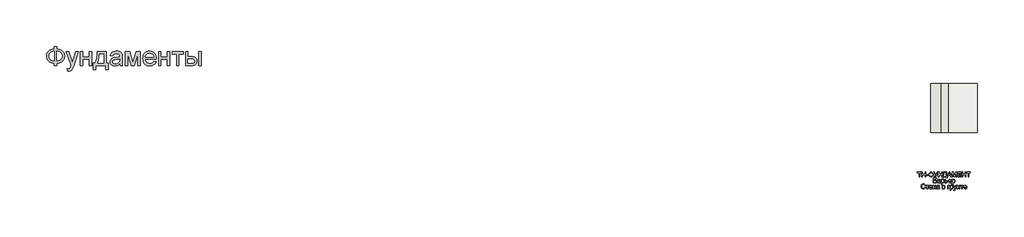
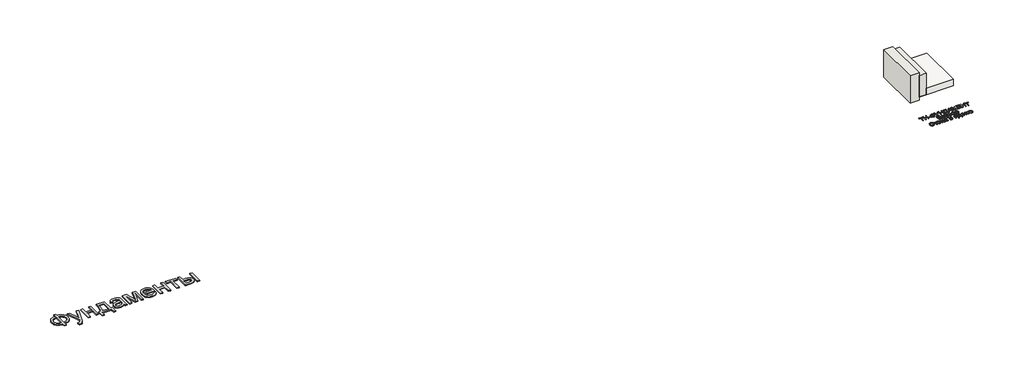
# One storey: 2 proxies, 2 walls, 1 slab.
"""IFC4 building model written with IfcOpenShell, lengths in millimetres."""

from ifc_helpers import new_model, si_unit, frame, origin, origin_with_axes, place, context, project, spatial, polyline, outline, extrude, faceted_brep, element, save

model = new_model("IFC4")

# Units and contexts
model_context = context("Model", 3, world=origin())
ifc_project = project(units=[si_unit("LENGTHUNIT", "METRE", prefix="MILLI")], contexts=[model_context])

# Site, building, storey
site = spatial("IfcSite", under=ifc_project)
building = spatial("IfcBuilding", under=site)
storey = spatial("IfcBuildingStorey", under=building, Elevation=0.0)

# Proxies
placement = place(None, origin())
element("IfcBuildingElementProxy", 1, Name="Generic Models", at=placement, inside=storey, context=model_context, shape_type="SweptSolid", body=[
    extrude(outline(polyline([(-1939.8736325, -26885.7211043), (-1939.8736325, -26787.7817103), (-1841.9342386, -26787.7817103), (-1841.9342386, -26885.7211043), (-1772.0723186, -26894.3529698), (-1709.9695132, -26912.2144755), (-1655.6258224, -26939.3056213), (-1609.0412461, -26975.6264073), (-1571.6743546, -27019.0607113), (-1544.9837177, -27067.4924111), (-1528.9693356, -27120.9215067), (-1523.6312083, -27179.3479982), (-1528.8019587, -27236.6028514), (-1544.3142102, -27289.3863505), (-1570.1679625, -27337.6984954), (-1606.3632158, -27381.5392861), (-1628.1416397, -27401.1761824), (-1652.1109076, -27418.4817577), (-1706.6219753, -27446.0989452), (-1769.896419, -27464.3908486), (-1841.9342386, -27473.3574679), (-1841.9342386, -27571.2968619), (-1939.8736325, -27571.2968619), (-1939.8736325, -27473.3574679), (-2005.3060425, -27466.0586398), (-2065.0237272, -27449.518216), (-2119.0266865, -27423.7361966), (-2167.3149204, -27388.7125816), (-2207.0669327, -27345.8939854), (-2222.6837947, -27322.10405), (-2235.4612272, -27296.7270228), (-2245.3992303, -27269.7629041), (-2252.4978039, -27241.2116938), (-2258.1766628, -27179.3479982), (-2252.5157371, -27117.2033486), (-2245.4395801, -27088.5878775), (-2235.5329602, -27061.6103088), (-2222.7958774, -27036.2706426), (-2207.2283318, -27012.5688789), (-2188.8303234, -26990.5050176), (-2167.6018522, -26970.0790588), (-2119.4032845, -26935.3961753), (-2065.382392, -26909.775555), (-2005.5391746, -26893.217198), (-1939.8736325, -26885.7211043)]), holes=[polyline([(-1841.9342386, -26983.6604982), (-1841.9342386, -27375.418074), (-1793.3949393, -27370.2234125), (-1750.3073446, -27359.2303372), (-1712.6714545, -27342.4388481), (-1680.4872689, -27319.8489452), (-1654.7112272, -27291.9627591), (-1636.2997689, -27259.2824206), (-1625.2528939, -27221.8079296), (-1621.5706022, -27179.5392861), (-1625.1871387, -27137.922217), (-1636.036748, -27100.872146), (-1654.1194303, -27068.389073), (-1679.4351855, -27040.4729982), (-1711.2905951, -27017.6977852), (-1748.9922405, -27000.6372975), (-1792.5401216, -26989.2915352), (-1841.9342386, -26983.6604982)]), polyline([(-1939.8736325, -26983.6604982), (-1986.781007, -26988.5861611), (-2028.989873, -26999.3461043), (-2066.5002305, -27015.9403278), (-2099.3120795, -27038.3688316), (-2125.9668498, -27066.2012179), (-2145.0059715, -27099.0070891), (-2156.4294445, -27136.7864452), (-2160.2372689, -27179.5392861), (-2156.4772665, -27221.9035735), (-2145.1972594, -27259.4737085), (-2126.3972476, -27292.2496909), (-2100.077231, -27320.231521), (-2067.5044919, -27342.8692459), (-2029.9463124, -27359.612913), (-1987.4026926, -27370.4625224), (-1939.8736325, -27375.418074), (-1939.8736325, -26983.6604982)])]), origin_with_axes(), (0.0, 0.0, 1.0), 40.0),
    extrude(outline(polyline([(-1401.2069658, -27791.6604982), (-1413.4493901, -27697.355574), (-1386.764731, -27703.8115399), (-1363.7145416, -27705.9635285), (-1337.5559242, -27703.2615872), (-1317.2315871, -27695.1557634), (-1301.4025151, -27682.2199206), (-1288.7296931, -27665.0279225), (-1261.9493901, -27592.9123922), (-1254.2978749, -27569.1926952), (-1462.4190871, -26995.9029225), (-1359.1236325, -26995.9029225), (-1248.7505264, -27315.35368), (-1210.3016628, -27443.1339831), (-1171.8527992, -27330.2741346), (-1058.4190871, -26995.9029225), (-955.888784, -26995.9029225), (-1156.1671931, -27585.0695891), (-1185.9124583, -27663.4019755), (-1208.1974961, -27712.8498922), (-1234.8343333, -27753.6420323), (-1265.0099961, -27781.9048164), (-1300.0634999, -27798.403396), (-1341.3338598, -27803.9029225), (-1369.6922878, -27800.8423164), (-1401.2069658, -27791.6604982)])), origin_with_axes(), (0.0, 0.0, 1.0), 40.0),
    extrude(outline(polyline([(-874.7827234, -26995.9029225), (-776.8433295, -26995.9029225), (-776.8433295, -27216.2665588), (-519.7524204, -27216.2665588), (-519.7524204, -26995.9029225), (-421.8130264, -26995.9029225), (-421.8130264, -27571.2968619), (-519.7524204, -27571.2968619), (-519.7524204, -27314.2059528), (-776.8433295, -27314.2059528), (-776.8433295, -27571.2968619), (-874.7827234, -27571.2968619), (-874.7827234, -26995.9029225)])), origin_with_axes(), (0.0, 0.0, 1.0), 40.0),
    extrude(outline(polyline([(-189.2069658, -26995.9029225), (178.0657614, -26995.9029225), (178.0657614, -27473.3574679), (251.5203069, -27473.3574679), (251.5203069, -27730.448377), (153.5809129, -27730.448377), (153.5809129, -27571.2968619), (-250.4190871, -27571.2968619), (-250.4190871, -27730.448377), (-348.358481, -27730.448377), (-348.358481, -27473.3574679), (-287.1463598, -27473.3574679), (-263.2293972, -27436.3970631), (-242.648017, -27392.9448259), (-225.4022192, -27343.0007563), (-211.4920037, -27286.5648543), (-200.9173707, -27223.6371199), (-193.67832, -27154.2175531), (-189.7748517, -27078.306154), (-189.2069658, -26995.9029225)]), holes=[polyline([(-103.5099961, -27093.8423164), (-111.5440871, -27213.7559054), (-126.4645416, -27316.979627), (-148.2713598, -27403.5134812), (-161.7571552, -27440.521708), (-176.9645416, -27473.3574679), (80.1263675, -27473.3574679), (80.1263675, -27093.8423164), (-103.5099961, -27093.8423164)])]), origin_with_axes(), (0.0, 0.0, 1.0), 40.0),
    extrude(outline(polyline([(728.9748523, -27497.8423164), (682.181055, -27537.964949), (658.2640924, -27552.8256261), (634.0004205, -27564.2192103), (583.3330436, -27578.7092672), (529.079019, -27583.5392861), (485.4713604, -27580.6341014), (447.2317179, -27571.9185475), (414.3600914, -27557.3926242), (386.8564811, -27537.0563316), (365.1393291, -27512.2008628), (349.6270777, -27484.1174111), (340.3197269, -27452.8059764), (337.2172766, -27418.2665588), (341.9038296, -27377.6657066), (355.9634887, -27340.7949679), (377.650752, -27309.2324679), (405.2201175, -27284.5563316), (437.619502, -27265.9057634), (473.796822, -27252.4199679), (558.5373523, -27237.6908013), (658.6765569, -27222.1964831), (728.4009887, -27204.0241346), (728.9748523, -27182.2173164), (727.2891279, -27158.4737085), (722.2319546, -27138.5080361), (713.8033325, -27122.3202994), (702.0032614, -27109.9104982), (681.6071914, -27097.5246081), (656.7636781, -27088.6775437), (627.4727217, -27083.369305), (593.734322, -27081.5998922), (535.391519, -27086.3103562), (512.8195493, -27092.1984362), (494.6472008, -27100.4417482), (479.7147908, -27111.6858888), (466.8626364, -27126.5764547), (456.0907378, -27145.1134457), (447.3990948, -27167.2968619), (349.4597008, -27155.0544376), (366.4604111, -27101.4938316), (378.0990829, -27079.0175058), (391.829966, -27059.4104982), (408.2448571, -27042.2782776), (427.9355531, -27027.2263126), (450.902054, -27014.2546033), (477.1443599, -27003.3631497), (537.3283088, -26988.5861611), (606.359322, -26983.6604982), (672.5688391, -26988.0122975), (725.0534508, -27001.0676952), (764.6261307, -27020.6986138), (792.0998523, -27044.7769755), (810.3200228, -27074.5461516), (822.1320493, -27111.2495134), (825.718697, -27145.1074679), (826.9142463, -27196.9464831), (826.9142463, -27318.7968619), (828.1576175, -27424.9377236), (831.8877311, -27488.94743), (839.2523145, -27531.0068524), (851.3990948, -27571.2968619), (753.4597008, -27571.2968619), (737.7740948, -27537.2476194), (728.9748523, -27497.8423164)]), holes=[polyline([(728.9748523, -27301.9635285), (663.171822, -27318.2708202), (570.9710645, -27331.9957255), (520.1602217, -27339.5037747), (486.7087539, -27347.8726194), (464.7823807, -27358.7282066), (448.546822, -27373.6964831), (438.5042084, -27391.6297217), (435.1566705, -27411.3801952), (436.9798831, -27426.599537), (442.4495209, -27440.5037747), (451.5655839, -27453.0929083), (464.328072, -27464.3669376), (480.6174305, -27473.6563552), (500.3141042, -27480.2916535), (549.9293978, -27485.5998922), (602.5335645, -27479.7417009), (626.5401932, -27472.4189618), (649.016519, -27462.167127), (686.7002311, -27436.2715304), (712.9066705, -27405.450271), (724.5274092, -27373.6964831), (728.4009887, -27329.700271), (728.9748523, -27301.9635285)])]), origin_with_axes(), (0.0, 0.0, 1.0), 40.0),
    extrude(outline(polyline([(961.5809129, -26995.9029225), (1130.1055342, -26995.9029225), (1259.9900039, -27456.5241346), (1400.0127311, -26995.9029225), (1561.4597008, -26995.9029225), (1561.4597008, -27571.2968619), (1463.5203069, -27571.2968619), (1463.5203069, -27107.9976194), (1322.7324281, -27571.2968619), (1194.1869736, -27571.2968619), (1059.5203069, -27085.8082255), (1059.5203069, -27571.2968619), (961.5809129, -27571.2968619), (961.5809129, -26995.9029225)])), origin_with_axes(), (0.0, 0.0, 1.0), 40.0),
    extrude(outline(polyline([(2111.2210645, -27399.9029225), (2207.2475796, -27412.1453467), (2192.5243907, -27450.6061658), (2172.6483845, -27484.4999869), (2147.6195611, -27513.8268098), (2117.4379205, -27538.5866346), (2082.4143055, -27558.2534196), (2042.8595588, -27572.3011232), (1998.7736805, -27580.7297454), (1950.1566705, -27583.5392861), (1889.3869025, -27578.6913339), (1835.2404773, -27564.1474774), (1787.717395, -27539.9077165), (1746.8176554, -27505.9720513), (1713.9280957, -27463.2849656), (1690.4355531, -27412.7909433), (1676.3400275, -27354.4899845), (1671.641519, -27288.3820891), (1676.3878495, -27220.0325389), (1690.626841, -27159.7888126), (1714.3584934, -27107.6509102), (1747.5828069, -27063.6188316), (1788.374947, -27028.6370607), (1834.8100796, -27003.6500816), (1886.8882046, -26988.6578941), (1944.609322, -26983.6604982), (2000.4713604, -26988.6459386), (2050.9892936, -27003.6022596), (2096.1631218, -27028.5294613), (2135.9928448, -27063.4275437), (2168.5058064, -27107.3639783), (2191.7293504, -27159.4062369), (2205.6634769, -27219.5543192), (2210.3081857, -27287.8082255), (2209.734322, -27314.2059528), (1769.5809129, -27314.2059528), (1775.2537941, -27353.2884575), (1786.5338012, -27387.5170323), (1803.4209343, -27416.8916772), (1825.9151932, -27441.4123922), (1852.773207, -27460.7444234), (1882.7516042, -27474.5530172), (1915.850385, -27482.8381734), (1952.0695493, -27485.5998922), (2004.1954963, -27480.4829414), (2048.0960645, -27465.1320891), (2066.9618315, -27453.3798401), (2083.7712539, -27438.590896), (2098.5243315, -27420.7652567), (2111.2210645, -27399.9029225)]), holes=[polyline([(1769.5809129, -27216.2665588), (2112.3687917, -27216.2665588), (2107.3355294, -27188.5537274), (2099.1221061, -27164.5231876), (2087.7285218, -27144.1749395), (2073.1547766, -27127.5089831), (2046.4462065, -27107.4237558), (2016.0553448, -27093.0771649), (1981.9821914, -27084.4692103), (1944.2267463, -27081.5998922), (1909.7889504, -27083.889369), (1878.2085171, -27090.7577994), (1849.4854466, -27102.2051834), (1823.6197387, -27118.231521), (1801.9145422, -27138.0955716), (1785.6730057, -27161.0560948), (1774.8951293, -27187.1130906), (1769.5809129, -27216.2665588)])]), origin_with_axes(), (0.0, 0.0, 1.0), 40.0),
    extrude(outline(polyline([(2308.2475796, -26995.9029225), (2406.1869736, -26995.9029225), (2406.1869736, -27216.2665588), (2663.2778826, -27216.2665588), (2663.2778826, -26995.9029225), (2761.2172766, -26995.9029225), (2761.2172766, -27571.2968619), (2663.2778826, -27571.2968619), (2663.2778826, -27314.2059528), (2406.1869736, -27314.2059528), (2406.1869736, -27571.2968619), (2308.2475796, -27571.2968619), (2308.2475796, -26995.9029225)])), origin_with_axes(), (0.0, 0.0, 1.0), 40.0),
    extrude(outline(polyline([(2859.1566705, -26995.9029225), (3324.3687917, -26995.9029225), (3324.3687917, -27093.8423164), (3140.7324281, -27093.8423164), (3140.7324281, -27571.2968619), (3042.7930342, -27571.2968619), (3042.7930342, -27093.8423164), (2859.1566705, -27093.8423164), (2859.1566705, -26995.9029225)])), origin_with_axes(), (0.0, 0.0, 1.0), 40.0),
    extrude(outline(polyline([(3948.7324281, -26995.9029225), (4046.671822, -26995.9029225), (4046.671822, -27571.2968619), (3948.7324281, -27571.2968619), (3948.7324281, -26995.9029225)])), origin_with_axes(), (0.0, 0.0, 1.0), 40.0),
    extrude(outline(polyline([(3410.0657614, -26995.9029225), (3508.0051554, -26995.9029225), (3508.0051554, -27204.0241346), (3629.0903826, -27204.0241346), (3684.8089551, -27207.0907184), (3733.7487633, -27216.2904698), (3775.9098074, -27231.6233888), (3811.2920872, -27253.0894755), (3839.2858727, -27279.9474892), (3859.2814338, -27311.4561895), (3871.2787704, -27347.6155763), (3875.2778826, -27388.4256497), (3871.924367, -27424.8361019), (3861.8638201, -27458.5087463), (3845.096242, -27489.443583), (3821.6216326, -27517.6406119), (3790.7824399, -27541.1152212), (3751.9211118, -27557.8827994), (3705.0376483, -27567.9433462), (3650.1320493, -27571.2968619), (3410.0657614, -27571.2968619), (3410.0657614, -26995.9029225)]), holes=[polyline([(3508.0051554, -27473.3574679), (3608.6225796, -27473.3574679), (3686.6202122, -27468.2166062), (3715.8274802, -27461.790529), (3738.5070493, -27452.794021), (3755.495804, -27441.0716606), (3767.6306289, -27426.4680266), (3774.9115237, -27408.983119), (3777.3384887, -27388.6169376), (3775.5391871, -27372.1542245), (3770.1412823, -27356.6240399), (3761.1447742, -27342.0263836), (3748.5496629, -27328.3612558), (3729.8094286, -27316.8122501), (3702.3775512, -27308.5629603), (3666.2540308, -27303.6133865), (3621.4388675, -27301.9635285), (3508.0051554, -27301.9635285), (3508.0051554, -27473.3574679)])]), origin_with_axes(), (0.0, 0.0, 1.0), 40.0),
])
element("IfcBuildingElementProxy", 2, Name="Generic Models", at=placement, inside=storey, context=model_context, shape_type="SweptSolid", body=[
    extrude(outline(polyline([(33323.4614024, -32120.7275925), (33323.4614024, -31948.4199002), (33258.8460178, -31948.4199002), (33258.8460178, -31923.8045156), (33412.6921716, -31923.8045156), (33412.6921716, -31948.4199002), (33348.076787, -31948.4199002), (33348.076787, -32120.7275925), (33323.4614024, -32120.7275925)])), origin_with_axes(), (0.0, 0.0, 1.0), 20.0),
    extrude(outline(polyline([(33440.3844793, -32120.7275925), (33440.3844793, -31923.8045156), (33464.999864, -31923.8045156), (33464.999864, -32003.8045156), (33569.6152486, -32003.8045156), (33569.6152486, -31923.8045156), (33594.2306332, -31923.8045156), (33594.2306332, -32120.7275925), (33569.6152486, -32120.7275925), (33569.6152486, -32028.4199002), (33464.999864, -32028.4199002), (33464.999864, -32120.7275925), (33440.3844793, -32120.7275925)])), origin_with_axes(), (0.0, 0.0, 1.0), 20.0),
    extrude(outline(polyline([(33621.9229409, -32062.2660541), (33621.9229409, -32037.6506695), (33698.8460178, -32037.6506695), (33698.8460178, -32062.2660541), (33621.9229409, -32062.2660541)])), origin_with_axes(), (0.0, 0.0, 1.0), 20.0),
    extrude(outline(polyline([(33800.3844793, -31948.4199002), (33800.3844793, -31923.8045156), (33824.999864, -31923.8045156), (33824.999864, -31948.4199002), (33858.1669313, -31955.0785541), (33883.5335178, -31971.0160541), (33899.6332774, -31994.1049964), (33904.999864, -32022.2179771), (33899.8015466, -32049.8742271), (33884.2065947, -32073.0352848), (33859.0082774, -32089.2612464), (33824.999864, -32096.1122079), (33824.999864, -32120.7275925), (33800.3844793, -32120.7275925), (33800.3844793, -32096.1122079), (33768.9301524, -32090.1206214), (33743.2210178, -32074.8381695), (33733.2300322, -32064.0764507), (33726.093614, -32051.7191791), (33720.3844793, -32022.2179771), (33726.0755851, -31992.626631), (33733.1894673, -31980.3009098), (33743.1489024, -31969.6218233), (33768.8400082, -31954.4655733), (33800.3844793, -31948.4199002)]), holes=[polyline([(33800.3844793, -31973.0352848), (33777.9866428, -31976.9775925), (33760.312364, -31986.7852848), (33748.827989, -32002.0256695), (33744.999864, -32022.2660541), (33748.779912, -32042.3561983), (33760.1200563, -32057.626631), (33777.7462582, -32067.5244675), (33800.3844793, -32071.4968233), (33800.3844793, -31973.0352848)]), polyline([(33824.999864, -31973.0352848), (33824.999864, -32071.4968233), (33848.0287101, -32067.4283137), (33865.576787, -32057.5304771), (33876.6825563, -32042.3081214), (33880.3844793, -32022.2660541), (33876.748662, -32002.4944195), (33865.8412101, -31987.314131), (33848.359239, -31977.3021118), (33824.999864, -31973.0352848)])]), origin_with_axes(), (0.0, 0.0, 1.0), 20.0),
    extrude(outline(polyline([(33924.999864, -31923.8045156), (33952.2594793, -31923.8045156), (34011.1537101, -32040.439131), (34064.1344793, -31923.8045156), (34091.1537101, -31923.8045156), (34016.3940947, -32077.2179771), (33996.0575563, -32114.9102848), (33986.406114, -32121.5809579), (33973.3171716, -32123.8045156), (33951.1537101, -32120.7275925), (33951.1537101, -32099.189131), (33970.5287101, -32099.189131), (33984.9037101, -32093.7083618), (33998.2210178, -32068.7564387), (33924.999864, -31923.8045156)])), origin_with_axes(), (0.0, 0.0, 1.0), 20.0),
    extrude(outline(polyline([(34114.2306332, -32120.7275925), (34114.2306332, -31923.8045156), (34138.8460178, -31923.8045156), (34138.8460178, -32003.8045156), (34243.4614024, -32003.8045156), (34243.4614024, -31923.8045156), (34268.076787, -31923.8045156), (34268.076787, -32120.7275925), (34243.4614024, -32120.7275925), (34243.4614024, -32028.4199002), (34138.8460178, -32028.4199002), (34138.8460178, -32120.7275925), (34114.2306332, -32120.7275925)])), origin_with_axes(), (0.0, 0.0, 1.0), 20.0),
    extrude(outline(polyline([(34329.6152486, -31923.8045156), (34446.5383255, -31923.8045156), (34446.5383255, -32096.1122079), (34464.999864, -32096.1122079), (34464.999864, -32166.8814387), (34440.3844793, -32166.8814387), (34440.3844793, -32120.7275925), (34314.2306332, -32120.7275925), (34314.2306332, -32166.8814387), (34289.6152486, -32166.8814387), (34289.6152486, -32096.1122079), (34304.999864, -32096.1122079), (34315.7690947, -32073.783482), (34323.4614024, -32042.3742271), (34328.076787, -32001.8844435), (34329.6152486, -31952.314131), (34329.6152486, -31923.8045156)]), holes=[polyline([(34421.9229409, -31948.4199002), (34354.2306332, -31948.4199002), (34354.2306332, -31958.3237464), (34349.2306332, -32025.7756695), (34341.826787, -32064.7540348), (34329.6152486, -32096.1122079), (34421.9229409, -32096.1122079), (34421.9229409, -31948.4199002)])]), origin_with_axes(), (0.0, 0.0, 1.0), 20.0),
    extrude(outline(polyline([(34472.8364024, -32120.7275925), (34551.4421716, -31923.8045156), (34572.4037101, -31923.8045156), (34651.0094793, -32120.7275925), (34624.999864, -32120.7275925), (34602.451787, -32059.189131), (34521.3460178, -32059.189131), (34498.8460178, -32120.7275925), (34472.8364024, -32120.7275925)]), holes=[polyline([(34530.3844793, -32034.5737464), (34593.4614024, -32034.5737464), (34575.7210178, -31986.1602848), (34561.9229409, -31948.4199002), (34549.6633255, -31981.9295156), (34530.3844793, -32034.5737464)])]), origin_with_axes(), (0.0, 0.0, 1.0), 20.0),
    extrude(outline(polyline([(34677.3075563, -32120.7275925), (34677.3075563, -31923.8045156), (34719.6633255, -31923.8045156), (34759.951787, -32062.6025925), (34768.076787, -32091.5929771), (34776.874864, -32060.1987464), (34816.4902486, -31923.8045156), (34858.8460178, -31923.8045156), (34858.8460178, -32120.7275925), (34834.2306332, -32120.7275925), (34834.2306332, -31948.4199002), (34784.7594793, -32120.7275925), (34751.3940947, -32120.7275925), (34701.9229409, -31948.4199002), (34701.9229409, -32120.7275925), (34677.3075563, -32120.7275925)])), origin_with_axes(), (0.0, 0.0, 1.0), 20.0),
    extrude(outline(polyline([(34901.9229409, -32120.7275925), (34901.9229409, -31923.8045156), (35043.4614024, -31923.8045156), (35043.4614024, -31948.4199002), (34926.5383255, -31948.4199002), (34926.5383255, -32006.8814387), (35037.3075563, -32006.8814387), (35037.3075563, -32031.4968233), (34926.5383255, -32031.4968233), (34926.5383255, -32096.1122079), (35046.5383255, -32096.1122079), (35046.5383255, -32120.7275925), (34901.9229409, -32120.7275925)])), origin_with_axes(), (0.0, 0.0, 1.0), 20.0),
    extrude(outline(polyline([(35083.4614024, -32120.7275925), (35083.4614024, -31923.8045156), (35108.076787, -31923.8045156), (35108.076787, -32003.8045156), (35212.6921716, -32003.8045156), (35212.6921716, -31923.8045156), (35237.3075563, -31923.8045156), (35237.3075563, -32120.7275925), (35212.6921716, -32120.7275925), (35212.6921716, -32028.4199002), (35108.076787, -32028.4199002), (35108.076787, -32120.7275925), (35083.4614024, -32120.7275925)])), origin_with_axes(), (0.0, 0.0, 1.0), 20.0),
    extrude(outline(polyline([(35329.6152486, -32120.7275925), (35329.6152486, -31948.4199002), (35264.999864, -31948.4199002), (35264.999864, -31923.8045156), (35418.8460178, -31923.8045156), (35418.8460178, -31948.4199002), (35354.2306332, -31948.4199002), (35354.2306332, -32120.7275925), (35329.6152486, -32120.7275925)])), origin_with_axes(), (0.0, 0.0, 1.0), 20.0),
    extrude(outline(polyline([(33898.8460178, -32166.8814387), (34021.9229409, -32166.8814387), (34021.9229409, -32191.4968233), (33923.4614024, -32191.4968233), (33923.4614024, -32249.9583618), (33969.5671716, -32249.9583618), (34010.1921716, -32254.9583618), (34023.7859216, -32262.1819195), (34034.374864, -32273.8525925), (34041.1897678, -32288.876631), (34043.4614024, -32306.1602848), (34041.8448159, -32320.673506), (34036.9950563, -32334.2131695), (34028.936162, -32346.0701406), (34017.6921716, -32355.5352848), (34000.3484216, -32361.7372079), (33973.9902486, -32363.8045156), (33898.8460178, -32363.8045156), (33898.8460178, -32166.8814387)]), holes=[polyline([(33923.4614024, -32339.189131), (33976.201787, -32339.189131), (33994.843614, -32337.157881), (34008.1729409, -32331.064131), (34016.1777486, -32320.907881), (34018.8460178, -32306.689131), (34017.3195755, -32296.1001887), (34012.7402486, -32287.4102848), (34005.4385659, -32280.9679771), (33995.7450563, -32277.1218233), (33958.6537101, -32274.5737464), (33923.4614024, -32274.5737464), (33923.4614024, -32339.189131)])]), origin_with_axes(), (0.0, 0.0, 1.0), 20.0),
    extrude(outline(polyline([(34166.5383255, -32345.3429771), (34142.6681332, -32362.0256695), (34116.2979409, -32366.8814387), (34095.7270274, -32363.9607656), (34080.5527486, -32355.1987464), (34071.1957774, -32341.8934579), (34068.076787, -32325.3429771), (34072.7883255, -32305.8718233), (34085.1681332, -32291.7372079), (34102.4037101, -32283.6602848), (34123.701787, -32279.9583618), (34166.3940947, -32271.4968233), (34166.5383255, -32266.0160541), (34164.843614, -32255.0304771), (34159.7594793, -32247.8429771), (34148.389287, -32242.5064387), (34132.5479409, -32240.7275925), (34107.6440947, -32245.4631695), (34100.6609216, -32252.0316791), (34095.7690947, -32262.2660541), (34071.1537101, -32259.189131), (34081.8027486, -32235.1506695), (34090.8772678, -32227.0617271), (34103.2450563, -32221.064131), (34135.7210178, -32216.1122079), (34165.5527486, -32220.4872079), (34182.4037101, -32231.4727848), (34189.951787, -32248.1795156), (34191.1537101, -32269.7179771), (34191.1537101, -32300.3429771), (34192.4037101, -32343.1074002), (34197.3075563, -32363.8045156), (34172.6921716, -32363.8045156), (34166.5383255, -32345.3429771)]), holes=[polyline([(34166.5383255, -32296.1122079), (34126.826787, -32303.6602848), (34105.6489024, -32307.6506695), (34096.0575563, -32314.1410541), (34092.6921716, -32323.6122079), (34094.5251043, -32330.9319195), (34100.0239024, -32336.9295156), (34109.0683736, -32340.9319195), (34121.5383255, -32342.2660541), (34134.7594793, -32340.7936983), (34146.4421716, -32336.376631), (34162.499864, -32322.1218233), (34166.3940947, -32303.0833618), (34166.5383255, -32296.1122079)])]), origin_with_axes(), (0.0, 0.0, 1.0), 20.0),
    extrude(outline(polyline([(34224.999864, -32419.189131), (34224.999864, -32219.189131), (34249.6152486, -32219.189131), (34249.6152486, -32243.3237464), (34266.6344793, -32222.9150925), (34277.1152486, -32217.8129291), (34289.6152486, -32216.1122079), (34306.2618832, -32218.4920156), (34320.8171716, -32225.6314387), (34332.6681332, -32237.0977848), (34341.201787, -32252.4583618), (34346.358037, -32270.595381), (34348.076787, -32290.3910541), (34346.1356813, -32311.4427368), (34340.312364, -32330.2708618), (34330.7931332, -32345.9199002), (34317.764287, -32357.4343233), (34302.5900082, -32364.5196598), (34286.6344793, -32366.8814387), (34275.3183736, -32365.3009098), (34265.2162101, -32360.5593233), (34249.6152486, -32344.5737464), (34249.6152486, -32419.189131), (34224.999864, -32419.189131)]), holes=[polyline([(34249.6152486, -32292.6506695), (34252.2775082, -32314.7179771), (34260.264287, -32330.1506695), (34272.0491428, -32339.2372079), (34286.1056332, -32342.2660541), (34300.390489, -32339.1290348), (34312.4758255, -32329.7179771), (34320.7150082, -32313.720381), (34323.4614024, -32290.8237464), (34320.781114, -32268.876631), (34312.7402486, -32253.2275925), (34300.9734216, -32243.8525925), (34287.1152486, -32240.7275925), (34273.202989, -32244.0509098), (34260.9854409, -32254.0208618), (34252.4577966, -32270.3249483), (34249.6152486, -32292.6506695)])]), origin_with_axes(), (0.0, 0.0, 1.0), 20.0),
    extrude(outline(polyline([(34375.7690947, -32219.189131), (34400.3844793, -32219.189131), (34400.3844793, -32271.4968233), (34428.749864, -32271.4968233), (34453.3412101, -32274.579756), (34471.5383255, -32283.8285541), (34482.7883255, -32298.4980252), (34486.5383255, -32317.8429771), (34483.3472197, -32335.4571598), (34473.7739024, -32350.3189387), (34457.1813543, -32360.4331214), (34432.9325563, -32363.8045156), (34375.7690947, -32363.8045156), (34375.7690947, -32219.189131)]), holes=[polyline([(34400.3844793, -32339.189131), (34423.3652486, -32339.189131), (34441.1957774, -32337.8970637), (34453.0527486, -32334.0208618), (34459.7053928, -32327.4042752), (34461.9229409, -32317.8910541), (34460.2823159, -32309.8501887), (34455.3604409, -32302.7468233), (34444.8135659, -32297.7708618), (34426.2979409, -32296.1122079), (34400.3844793, -32296.1122079), (34400.3844793, -32339.189131)])]), origin_with_axes(), (0.0, 0.0, 1.0), 20.0),
    extrude(outline(polyline([(34618.5575563, -32320.7275925), (34642.6921716, -32323.8045156), (34633.9962582, -32341.9896118), (34620.1200563, -32355.5833618), (34601.3760659, -32364.0569195), (34578.076787, -32366.8814387), (34549.1945755, -32362.0076406), (34526.9710178, -32347.3862464), (34512.8003447, -32323.9667752), (34508.076787, -32292.6987464), (34512.8484216, -32260.3790348), (34527.1633255, -32236.2083618), (34549.0864024, -32221.1362464), (34576.6825563, -32216.1122079), (34603.4193351, -32221.1242271), (34624.7835178, -32236.1602848), (34638.7919313, -32260.282881), (34643.4614024, -32292.5545156), (34643.3171716, -32299.189131), (34532.6921716, -32299.189131), (34536.952989, -32317.6146118), (34546.8508255, -32331.1602848), (34561.1356813, -32339.4896118), (34578.5575563, -32342.2660541), (34602.6921716, -32337.1218233), (34611.6585178, -32330.4511502), (34618.5575563, -32320.7275925)]), holes=[polyline([(34532.6921716, -32274.5737464), (34618.8460178, -32274.5737464), (34615.5166909, -32261.5689387), (34608.9902486, -32252.2660541), (34594.639287, -32243.6122079), (34576.5864024, -32240.7275925), (34559.9938543, -32243.0292752), (34546.2739024, -32249.9343233), (34536.7366428, -32260.6975445), (34532.6921716, -32274.5737464)])]), origin_with_axes(), (0.0, 0.0, 1.0), 20.0),
    extrude(outline(polyline([(34668.076787, -32419.189131), (34668.076787, -32219.189131), (34692.6921716, -32219.189131), (34692.6921716, -32243.3237464), (34709.7114024, -32222.9150925), (34720.1921716, -32217.8129291), (34732.6921716, -32216.1122079), (34749.3388063, -32218.4920156), (34763.8940947, -32225.6314387), (34775.7450563, -32237.0977848), (34784.2787101, -32252.4583618), (34789.4349601, -32270.595381), (34791.1537101, -32290.3910541), (34789.2126043, -32311.4427368), (34783.389287, -32330.2708618), (34773.8700563, -32345.9199002), (34760.8412101, -32357.4343233), (34745.6669313, -32364.5196598), (34729.7114024, -32366.8814387), (34718.3952966, -32365.3009098), (34708.2931332, -32360.5593233), (34692.6921716, -32344.5737464), (34692.6921716, -32419.189131), (34668.076787, -32419.189131)]), holes=[polyline([(34692.6921716, -32292.6506695), (34695.3544313, -32314.7179771), (34703.3412101, -32330.1506695), (34715.1260659, -32339.2372079), (34729.1825563, -32342.2660541), (34743.467412, -32339.1290348), (34755.5527486, -32329.7179771), (34763.7919313, -32313.720381), (34766.5383255, -32290.8237464), (34763.858037, -32268.876631), (34755.8171716, -32253.2275925), (34744.0503447, -32243.8525925), (34730.1921716, -32240.7275925), (34716.279912, -32244.0509098), (34704.062364, -32254.0208618), (34695.5347197, -32270.3249483), (34692.6921716, -32292.6506695)])]), origin_with_axes(), (0.0, 0.0, 1.0), 20.0),
    extrude(outline(polyline([(33557.3075563, -32536.8814387), (33581.9229409, -32543.2275925), (33570.5647678, -32571.9114868), (33552.7402486, -32592.8670156), (33529.326787, -32605.6855252), (33501.201787, -32609.9583618), (33472.6501043, -32606.7251887), (33449.9758255, -32597.0256695), (33432.5960178, -32581.1963425), (33419.9277486, -32559.5737464), (33412.1933736, -32534.1530733), (33409.6152486, -32506.9295156), (33412.529912, -32478.2155733), (33421.2739024, -32453.4199002), (33435.390489, -32433.329756), (33454.4229409, -32418.7324002), (33476.9950563, -32409.8441791), (33501.7306332, -32406.8814387), (33528.7198159, -32410.7155733), (33551.0335178, -32422.2179771), (33567.9746236, -32440.6795156), (33578.8460178, -32465.3910541), (33554.2306332, -32471.2564387), (33545.6969793, -32453.3057175), (33534.0383255, -32440.9920156), (33519.1104409, -32433.8706214), (33500.7690947, -32431.4968233), (33479.6272678, -32434.1290348), (33462.2594793, -32442.0256695), (33449.0803928, -32454.3574002), (33440.5046716, -32470.2949002), (33435.7991428, -32488.3117271), (33434.2306332, -32506.8814387), (33436.0876043, -32529.6218233), (33441.6585178, -32549.2852848), (33451.1537101, -32565.1206214), (33464.7835178, -32576.376631), (33481.123662, -32583.1013906), (33498.749864, -32585.3429771), (33519.296739, -32582.2900925), (33536.4181332, -32573.1314387), (33549.3448159, -32557.9631695), (33557.3075563, -32536.8814387)])), origin_with_axes(), (0.0, 0.0, 1.0), 20.0),
    extrude(outline(polyline([(33600.3844793, -32462.2660541), (33717.3075563, -32462.2660541), (33717.3075563, -32486.8814387), (33671.1537101, -32486.8814387), (33671.1537101, -32606.8814387), (33646.5383255, -32606.8814387), (33646.5383255, -32486.8814387), (33600.3844793, -32486.8814387), (33600.3844793, -32462.2660541)])), origin_with_axes(), (0.0, 0.0, 1.0), 20.0),
    extrude(outline(polyline([(33840.0960178, -32563.8045156), (33864.2306332, -32566.8814387), (33855.5347197, -32585.0665348), (33841.6585178, -32598.6602848), (33822.9145274, -32607.1338425), (33799.6152486, -32609.9583618), (33770.733037, -32605.0845637), (33748.5094793, -32590.4631695), (33734.3388063, -32567.0436983), (33729.6152486, -32535.7756695), (33734.3868832, -32503.4559579), (33748.701787, -32479.2852848), (33770.624864, -32464.2131695), (33798.2210178, -32459.189131), (33824.9577966, -32464.2011502), (33846.3219793, -32479.2372079), (33860.3303928, -32503.3598041), (33864.999864, -32535.6314387), (33864.8556332, -32542.2660541), (33754.2306332, -32542.2660541), (33758.4914505, -32560.6915348), (33768.389287, -32574.2372079), (33782.6741428, -32582.5665348), (33800.0960178, -32585.3429771), (33824.2306332, -32580.1987464), (33833.1969793, -32573.5280733), (33840.0960178, -32563.8045156)]), holes=[polyline([(33754.2306332, -32517.6506695), (33840.3844793, -32517.6506695), (33837.0551524, -32504.6458618), (33830.5287101, -32495.3429771), (33816.1777486, -32486.689131), (33798.124864, -32483.8045156), (33781.5323159, -32486.1061983), (33767.812364, -32493.0112464), (33758.2751043, -32503.7744675), (33754.2306332, -32517.6506695)])]), origin_with_axes(), (0.0, 0.0, 1.0), 20.0),
    extrude(outline(polyline([(33889.6152486, -32462.2660541), (33914.2306332, -32462.2660541), (33914.2306332, -32517.6506695), (33978.8460178, -32517.6506695), (33978.8460178, -32462.2660541), (34003.4614024, -32462.2660541), (34003.4614024, -32606.8814387), (33978.8460178, -32606.8814387), (33978.8460178, -32542.2660541), (33914.2306332, -32542.2660541), (33914.2306332, -32606.8814387), (33889.6152486, -32606.8814387), (33889.6152486, -32462.2660541)])), origin_with_axes(), (0.0, 0.0, 1.0), 20.0),
    extrude(outline(polyline([(34132.6921716, -32588.4199002), (34108.8219793, -32605.1025925), (34082.451787, -32609.9583618), (34061.8808736, -32607.0376887), (34046.7065947, -32598.2756695), (34037.3496236, -32584.970381), (34034.2306332, -32568.4199002), (34038.9421716, -32548.9487464), (34051.3219793, -32534.814131), (34068.5575563, -32526.7372079), (34089.8556332, -32523.0352848), (34132.5479409, -32514.5737464), (34132.6921716, -32509.0929771), (34130.9974601, -32498.1074002), (34125.9133255, -32490.9199002), (34114.5431332, -32485.5833618), (34098.701787, -32483.8045156), (34073.7979409, -32488.5400925), (34066.8147678, -32495.1086021), (34061.9229409, -32505.3429771), (34037.3075563, -32502.2660541), (34047.9565947, -32478.2275925), (34057.031114, -32470.1386502), (34069.3989024, -32464.1410541), (34101.874864, -32459.189131), (34131.7065947, -32463.564131), (34148.5575563, -32474.5497079), (34156.1056332, -32491.2564387), (34157.3075563, -32512.7949002), (34157.3075563, -32543.4199002), (34158.5575563, -32586.1843233), (34163.4614024, -32606.8814387), (34138.8460178, -32606.8814387), (34132.6921716, -32588.4199002)]), holes=[polyline([(34132.6921716, -32539.189131), (34092.9806332, -32546.7372079), (34071.8027486, -32550.7275925), (34062.2114024, -32557.2179771), (34058.8460178, -32566.689131), (34060.6789505, -32574.0088425), (34066.1777486, -32580.0064387), (34075.2222197, -32584.0088425), (34087.6921716, -32585.3429771), (34100.9133255, -32583.8706214), (34112.5960178, -32579.4535541), (34128.6537101, -32565.1987464), (34132.5479409, -32546.1602848), (34132.6921716, -32539.189131)])]), origin_with_axes(), (0.0, 0.0, 1.0), 20.0),
    extrude(outline(polyline([(34268.076787, -32462.2660541), (34322.3075563, -32462.2660541), (34352.0431332, -32465.5593233), (34368.7739024, -32477.626631), (34374.0202966, -32487.2720637), (34375.7690947, -32498.6602848), (34371.5383255, -32515.751631), (34358.7979409, -32527.939131), (34367.9085178, -32533.0533137), (34375.3364024, -32541.2804771), (34380.2763063, -32551.9715829), (34381.9229409, -32564.4775925), (34377.7522678, -32583.2396118), (34367.8364024, -32596.4487464), (34352.139287, -32604.2732656), (34330.624864, -32606.8814387), (34268.076787, -32606.8814387), (34268.076787, -32462.2660541)]), holes=[polyline([(34292.6921716, -32517.6506695), (34317.0190947, -32517.6506695), (34337.0912101, -32516.4006695), (34346.8508255, -32511.4006695), (34351.1537101, -32502.3622079), (34349.2666909, -32495.0184579), (34343.6056332, -32490.2949002), (34317.7883255, -32486.8814387), (34292.6921716, -32486.8814387), (34292.6921716, -32517.6506695)]), polyline([(34292.6921716, -32582.2660541), (34322.8844793, -32582.2660541), (34339.3388063, -32581.1542752), (34349.6633255, -32577.8189387), (34355.2041909, -32571.7552368), (34357.3075563, -32562.4583618), (34353.1008255, -32550.6074002), (34342.139287, -32543.7083618), (34320.4806332, -32542.2660541), (34292.6921716, -32542.2660541), (34292.6921716, -32582.2660541)])]), origin_with_axes(), (0.0, 0.0, 1.0), 20.0),
    extrude(outline(polyline([(34489.6152486, -32462.2660541), (34569.6152486, -32462.2660541), (34569.6152486, -32486.8814387), (34514.2306332, -32486.8814387), (34514.2306332, -32606.8814387), (34489.6152486, -32606.8814387), (34489.6152486, -32462.2660541)])), origin_with_axes(), (0.0, 0.0, 1.0), 20.0),
    extrude(outline(polyline([(34588.076787, -32662.2660541), (34588.076787, -32462.2660541), (34612.6921716, -32462.2660541), (34612.6921716, -32486.4006695), (34629.7114024, -32465.9920156), (34640.1921716, -32460.8898521), (34652.6921716, -32459.189131), (34669.3388063, -32461.5689387), (34683.8940947, -32468.7083618), (34695.7450563, -32480.1747079), (34704.2787101, -32495.5352848), (34709.4349601, -32513.6723041), (34711.1537101, -32533.4679771), (34709.2126043, -32554.5196598), (34703.389287, -32573.3477848), (34693.8700563, -32588.9968233), (34680.8412101, -32600.5112464), (34665.6669313, -32607.5965829), (34649.7114024, -32609.9583618), (34638.3952966, -32608.3778329), (34628.2931332, -32603.6362464), (34612.6921716, -32587.6506695), (34612.6921716, -32662.2660541), (34588.076787, -32662.2660541)]), holes=[polyline([(34612.6921716, -32535.7275925), (34615.3544313, -32557.7949002), (34623.3412101, -32573.2275925), (34635.1260659, -32582.314131), (34649.1825563, -32585.3429771), (34663.467412, -32582.2059579), (34675.5527486, -32572.7949002), (34683.7919313, -32556.7973041), (34686.5383255, -32533.9006695), (34683.858037, -32511.9535541), (34675.8171716, -32496.3045156), (34664.0503447, -32486.9295156), (34650.1921716, -32483.8045156), (34636.279912, -32487.1278329), (34624.062364, -32497.0977848), (34615.5347197, -32513.4018714), (34612.6921716, -32535.7275925)])]), origin_with_axes(), (0.0, 0.0, 1.0), 20.0),
    extrude(outline(polyline([(34738.8460178, -32662.2660541), (34735.7690947, -32638.564131), (34748.2690947, -32640.7275925), (34759.951787, -32638.0112464), (34767.1152486, -32630.439131), (34773.8460178, -32612.314131), (34775.7690947, -32606.3525925), (34723.4614024, -32462.2660541), (34749.4229409, -32462.2660541), (34777.1633255, -32542.5545156), (34786.826787, -32574.6699002), (34796.4902486, -32546.3045156), (34824.999864, -32462.2660541), (34850.7690947, -32462.2660541), (34800.4325563, -32610.3429771), (34787.3556332, -32642.4583618), (34773.076787, -32659.814131), (34753.8940947, -32665.3429771), (34738.8460178, -32662.2660541)])), origin_with_axes(), (0.0, 0.0, 1.0), 20.0),
    extrude(outline(polyline([(34871.1537101, -32462.2660541), (34895.7690947, -32462.2660541), (34895.7690947, -32517.6506695), (34960.3844793, -32517.6506695), (34960.3844793, -32462.2660541), (34984.999864, -32462.2660541), (34984.999864, -32606.8814387), (34960.3844793, -32606.8814387), (34960.3844793, -32542.2660541), (34895.7690947, -32542.2660541), (34895.7690947, -32606.8814387), (34871.1537101, -32606.8814387), (34871.1537101, -32462.2660541)])), origin_with_axes(), (0.0, 0.0, 1.0), 20.0),
    extrude(outline(polyline([(35009.6152486, -32462.2660541), (35126.5383255, -32462.2660541), (35126.5383255, -32486.8814387), (35080.3844793, -32486.8814387), (35080.3844793, -32606.8814387), (35055.7690947, -32606.8814387), (35055.7690947, -32486.8814387), (35009.6152486, -32486.8814387), (35009.6152486, -32462.2660541)])), origin_with_axes(), (0.0, 0.0, 1.0), 20.0),
    extrude(outline(polyline([(35249.326787, -32563.8045156), (35273.4614024, -32566.8814387), (35264.765489, -32585.0665348), (35250.889287, -32598.6602848), (35232.1452966, -32607.1338425), (35208.8460178, -32609.9583618), (35179.9638063, -32605.0845637), (35157.7402486, -32590.4631695), (35143.5695755, -32567.0436983), (35138.8460178, -32535.7756695), (35143.6176524, -32503.4559579), (35157.9325563, -32479.2852848), (35179.8556332, -32464.2131695), (35207.451787, -32459.189131), (35234.1885659, -32464.2011502), (35255.5527486, -32479.2372079), (35269.561162, -32503.3598041), (35274.2306332, -32535.6314387), (35274.0864024, -32542.2660541), (35163.4614024, -32542.2660541), (35167.7222197, -32560.6915348), (35177.6200563, -32574.2372079), (35191.904912, -32582.5665348), (35209.326787, -32585.3429771), (35233.4614024, -32580.1987464), (35242.4277486, -32573.5280733), (35249.326787, -32563.8045156)]), holes=[polyline([(35163.4614024, -32517.6506695), (35249.6152486, -32517.6506695), (35246.2859216, -32504.6458618), (35239.7594793, -32495.3429771), (35225.4085178, -32486.689131), (35207.3556332, -32483.8045156), (35190.7630851, -32486.1061983), (35177.0431332, -32493.0112464), (35167.5058736, -32503.7744675), (35163.4614024, -32517.6506695)])]), origin_with_axes(), (0.0, 0.0, 1.0), 20.0),
])

# Slab
element("IfcSlab", 3, at=placement, inside=storey, context=model_context, shape_type="SweptSolid", body=[
    extrude(outline(polyline([(-305.0, 34208.8955952), (-305.0, 35706.3955952), (0.0, 35706.3955952), (0.0, 34514.8955952), (-300.0, 34514.8955952), (-300.0, 34208.8955952), (-305.0, 34208.8955952)])), frame((0.0, -30302.6148653, 0.0), z_axis=(0.0, 1.0, 0.0), x_axis=(0.0, 0.0, 1.0)), (0.0, 0.0, 1.0), 2000.0),
])

# Walls
element("IfcWall", 4, at=placement, inside=storey, context=model_context, shape_type="Brep", body=[
    faceted_brep([(34208.8955952, -28302.6148653, -300.0), (34208.8955952, -30302.6148653, -300.0), (34208.8955952, -30302.6148653, 689.0), (34208.8955952, -28302.6148653, 689.0), (34514.8955952, -28302.6148653, -300.0), (34514.8955952, -28302.6148653, 0.0), (34514.8955952, -28302.6148653, 689.0), (34514.8955952, -30302.6148653, 689.0), (34514.8955952, -30302.6148653, 0.0), (34514.8955952, -30302.6148653, -300.0)], [[[0, 1, 2, 3]], [[4, 5, 6, 7, 8, 9]], [[1, 0, 4, 9]], [[2, 1, 9, 8, 7]], [[3, 2, 7, 6]], [[0, 3, 6, 5, 4]]]),
])
element("IfcWall", 5, at=placement, inside=storey, context=model_context, shape_type="SweptSolid", body=[
    extrude(outline(polyline([(33808.8955952, -30302.6148653), (33808.8955952, -28302.6148653), (34208.8955952, -28302.6148653), (34208.8955952, -30302.6148653), (33808.8955952, -30302.6148653)])), frame((0.0, 0.0, -455.0), z_axis=(0.0, 0.0, 1.0), x_axis=(1.0, 0.0, 0.0)), (0.0, 0.0, 1.0), 1294.0),
])

save(model, "model.ifc")
